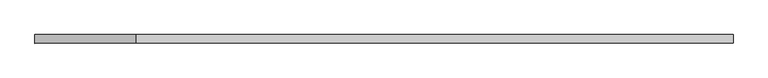
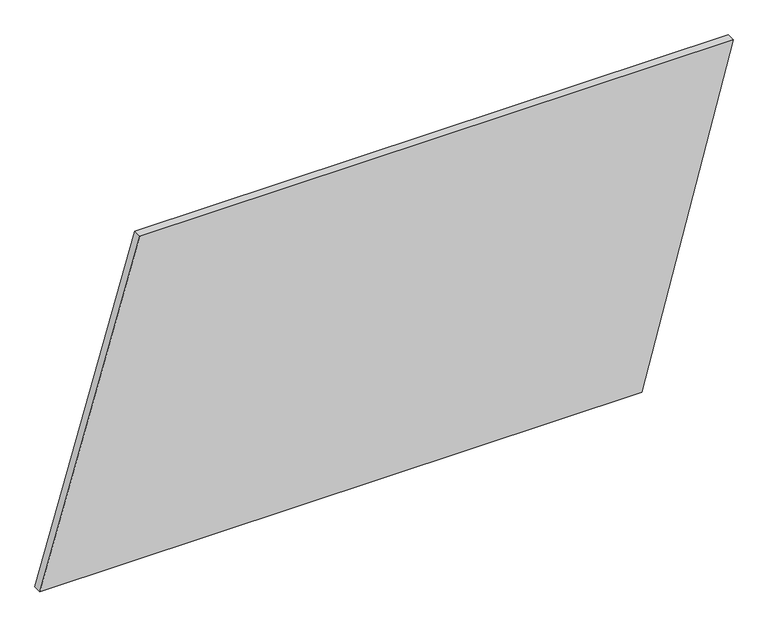
"""IFC4 building model written with IfcOpenShell, lengths in millimetres: plate geometry."""

from ifc_helpers import new_model, si_unit, frame, origin, place, context, project, spatial, polyline, outline, extrude, source, transform, mapped, element, save


def plate_aff098c2(model_context):
    return source(origin(), model_context, "Body", "SweptSolid", [
        extrude(outline(polyline([(0.0, -1017.0097499), (0.0, 749.0605575), (1000.0, 1017.0097499), (1000.0, -723.7643013), (0.0, -1017.0097499)])), frame((0.0, 24.5, 0.0), z_axis=(0.0, 1.0, 0.0), x_axis=(0.0, 0.0, 1.0)), (0.0, 0.0, 1.0), 25.0),
    ])


if __name__ == "__main__":
    model = new_model("IFC4")
    model_context = context("Model", 3, world=origin())
    ifc_project = project(units=[si_unit("LENGTHUNIT", "METRE", prefix="MILLI")], contexts=[model_context])
    site = spatial("IfcSite", under=ifc_project)
    building = spatial("IfcBuilding", under=site)
    placement = place(None, origin())
    plate_shape = plate_aff098c2(model_context)
    element("IfcPlate", 1, at=placement, inside=building, context=model_context, shape_type="MappedRepresentation", body=[
        mapped(plate_shape, transform((0.0, 0.0, 0.0), x_axis=(1.0, 0.0, 0.0), y_axis=(0.0, 1.0, 0.0), z_axis=(0.0, 0.0, 1.0))),
    ])
    save(model, "model.ifc")
